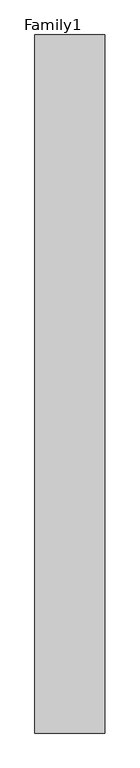
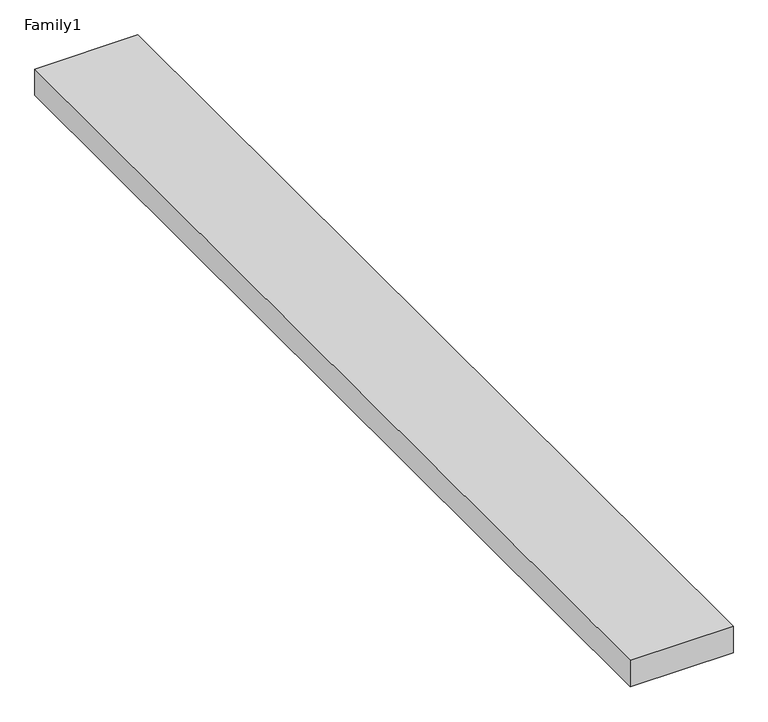
"""IFC4 building model written with IfcOpenShell, lengths in millimetres: proxy geometry, Family1."""

from ifc_helpers import new_model, si_unit, origin, origin_with_axes, place, context, project, spatial, polyline, outline, extrude, source, transform, mapped, element, save


def family1_3a9407f0(model_context):
    return source(origin(), model_context, "Body", "SweptSolid", [
        extrude(outline(polyline([(5000.0, 0.0), (0.0, 0.0), (0.0, 50000.0), (5000.0, 50000.0), (5000.0, 0.0)])), origin_with_axes(), (0.0, 0.0, 1.0), 1356.0),
    ])


if __name__ == "__main__":
    model = new_model("IFC4")
    model_context = context("Model", 3, world=origin())
    ifc_project = project(units=[si_unit("LENGTHUNIT", "METRE", prefix="MILLI")], contexts=[model_context])
    site = spatial("IfcSite", under=ifc_project)
    building = spatial("IfcBuilding", under=site)
    placement = place(None, origin())
    family1_shape = family1_3a9407f0(model_context)
    element("IfcBuildingElementProxy", 1, Name="Family1", ObjectType="Family1", at=placement, inside=building, context=model_context, shape_type="MappedRepresentation", body=[
        mapped(family1_shape, transform((0.0, 0.0, 0.0), x_axis=(1.0, 0.0, 0.0), y_axis=(0.0, 1.0, 0.0), z_axis=(0.0, 0.0, 1.0))),
    ])
    save(model, "model.ifc")
